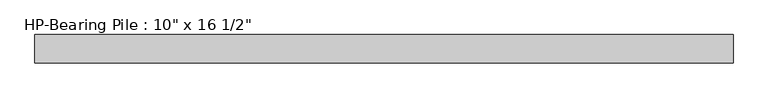
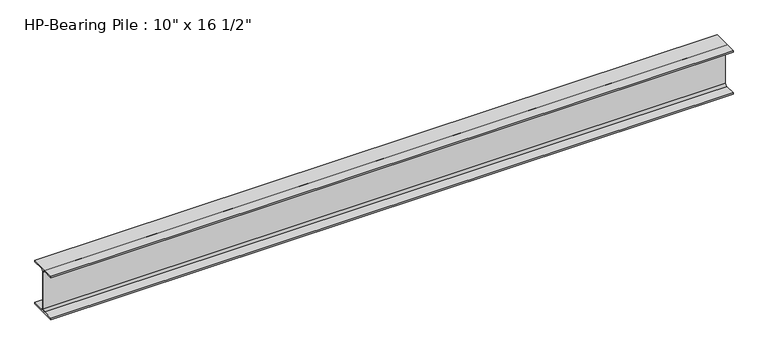
"""IFC4 building model written with IfcOpenShell, lengths in millimetres: beam geometry."""

from ifc_helpers import new_model, si_unit, point, frame, frame_2d, origin, place, context, project, spatial, polyline, circle_curve, trimmed, segment, composite_curve, outline, extrude, source, transform, mapped, element, save


def beam_0cff8ae7(model_context):
    return source(origin(), model_context, "Body", "SweptSolid", [
        extrude(outline(composite_curve([segment(polyline([(127.0, -196.85), (127.0, -209.55), (-127.0, -209.55), (-127.0, -196.85), (-25.4, -196.85)]), True, "CONTINUOUS"), segment(trimmed(circle_curve(frame_2d((-25.4, -177.8)), 19.05), [point((-25.4, -196.85))], [point((-6.35, -177.8))], True, "CARTESIAN"), True, "CONTINUOUS"), segment(polyline([(-6.35, -177.8), (-6.35, 177.8)]), True, "CONTINUOUS"), segment(trimmed(circle_curve(frame_2d((-25.4, 177.8)), 19.05), [point((-6.35, 177.8))], [point((-25.4, 196.85))], True, "CARTESIAN"), True, "CONTINUOUS"), segment(polyline([(-25.4, 196.85), (-127.0, 196.85), (-127.0, 209.55), (127.0, 209.55), (127.0, 196.85), (25.4, 196.85)]), True, "CONTINUOUS"), segment(trimmed(circle_curve(frame_2d((25.4, 177.8)), 19.05), [point((25.4, 196.85))], [point((6.35, 177.8))], True, "CARTESIAN"), True, "CONTINUOUS"), segment(polyline([(6.35, 177.8), (6.35, -177.8)]), True, "CONTINUOUS"), segment(trimmed(circle_curve(frame_2d((25.4, -177.8)), 19.05), [point((6.35, -177.8))], [point((25.4, -196.85))], True, "CARTESIAN"), True, "CONTINUOUS"), segment(polyline([(25.4, -196.85), (127.0, -196.85)]), True, "CONTINUOUS")], self_intersect=False)), frame((-3117.85, 0.0, 0.0), z_axis=(1.0, 0.0, 0.0), x_axis=(0.0, 1.0, 0.0)), (0.0, 0.0, 1.0), 6235.7),
    ])


if __name__ == "__main__":
    model = new_model("IFC4")
    model_context = context("Model", 3, world=origin())
    ifc_project = project(units=[si_unit("LENGTHUNIT", "METRE", prefix="MILLI")], contexts=[model_context])
    site = spatial("IfcSite", under=ifc_project)
    building = spatial("IfcBuilding", under=site)
    placement = place(None, origin())
    beam_shape = beam_0cff8ae7(model_context)
    element("IfcBeam", 1, ObjectType="HP-Bearing Pile : 10\" x 16 1/2\"", at=placement, inside=building, context=model_context, shape_type="MappedRepresentation", body=[
        mapped(beam_shape, transform((0.0, 0.0, 0.0), x_axis=(1.0, 0.0, 0.0), y_axis=(0.0, 1.0, 0.0), z_axis=(0.0, 0.0, 1.0))),
    ])
    save(model, "model.ifc")
